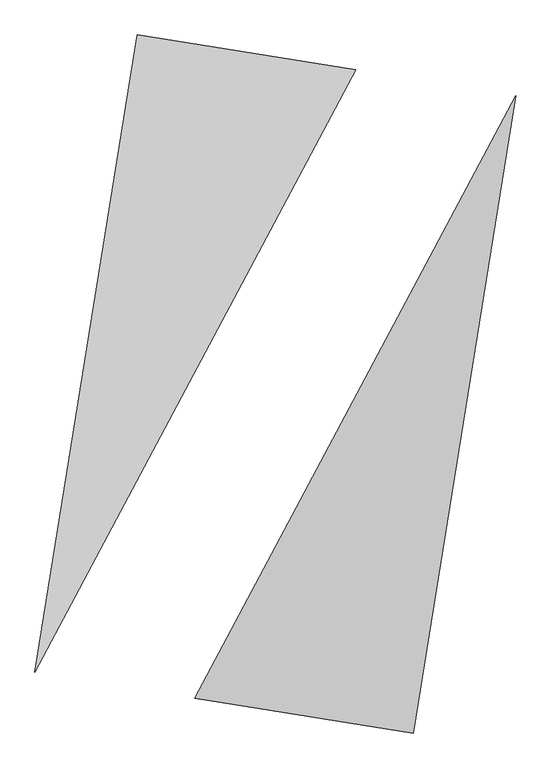
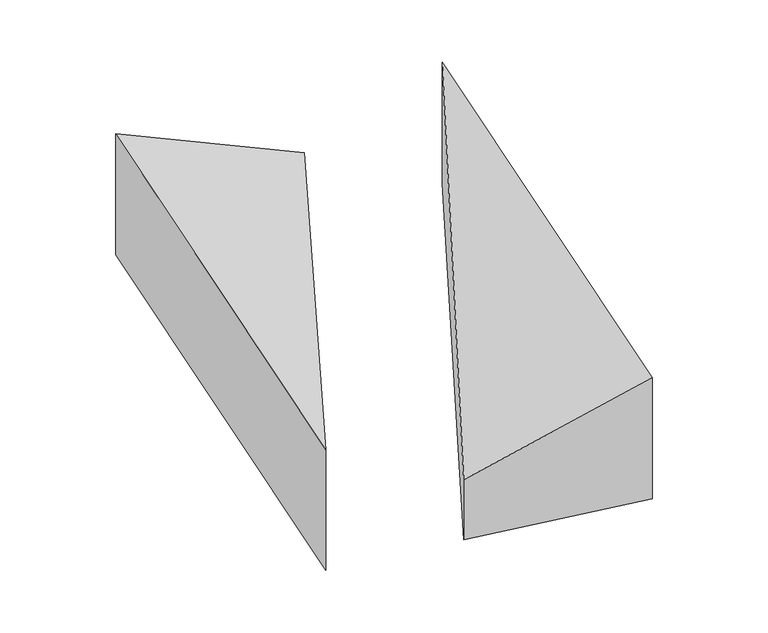
"""IFC4 building model written with IfcOpenShell, lengths in millimetres: proxy geometry."""

from ifc_helpers import new_model, si_unit, origin, place, context, project, spatial, faceted_brep, source, transform, mapped, element, save


def generic_models_a534c74a(model_context):
    return source(origin(), model_context, "Body", "Brep", [
        faceted_brep([(498.6023056, 1945.6110252, 0.0), (-856.0170022, 2162.7277087, 0.0), (-856.0170022, 2162.7277087, 1000.0), (498.6023056, 1945.6110252, 500.0), (-1489.0524341, -1786.862921, 0.0), (-1489.0524341, -1786.862921, 1000.0)], [[[0, 1, 2, 3]], [[1, 4, 5, 2]], [[4, 0, 3, 5]], [[3, 2, 5]], [[0, 4, 1]]]),
        faceted_brep([(856.0170022, -2162.7277087, 0.0), (1489.0524341, 1786.862921, 0.0), (1489.0524341, 1786.862921, 1000.0), (856.0170022, -2162.7277087, 1000.0), (-498.6023056, -1945.6110252, 0.0), (-498.6023056, -1945.6110252, 500.0)], [[[0, 1, 2, 3]], [[1, 4, 5, 2]], [[4, 0, 3, 5]], [[2, 5, 3]], [[0, 4, 1]]]),
    ])


if __name__ == "__main__":
    model = new_model("IFC4")
    model_context = context("Model", 3, world=origin())
    ifc_project = project(units=[si_unit("LENGTHUNIT", "METRE", prefix="MILLI")], contexts=[model_context])
    site = spatial("IfcSite", under=ifc_project)
    building = spatial("IfcBuilding", under=site)
    placement = place(None, origin())
    generic_models_shape = generic_models_a534c74a(model_context)
    element("IfcBuildingElementProxy", 1, Name="Generic Models", at=placement, inside=building, context=model_context, shape_type="MappedRepresentation", body=[
        mapped(generic_models_shape, transform((0.0, 0.0, 0.0), x_axis=(1.0, 0.0, 0.0), y_axis=(0.0, 1.0, 0.0), z_axis=(0.0, 0.0, 1.0))),
    ])
    save(model, "model.ifc")
